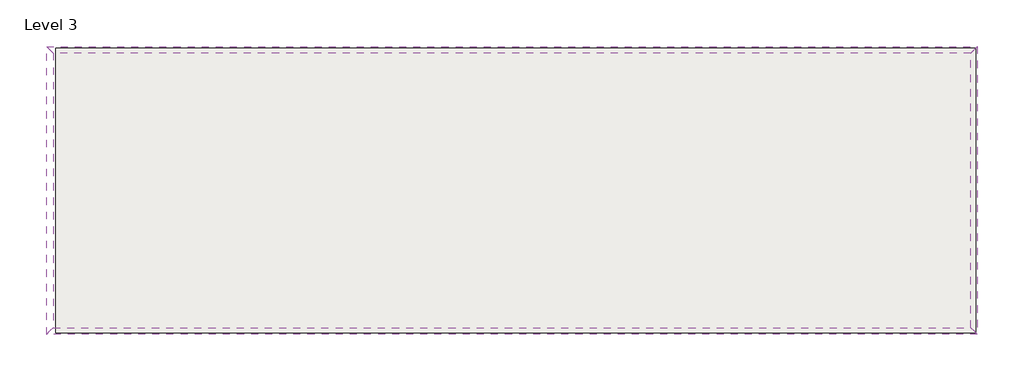
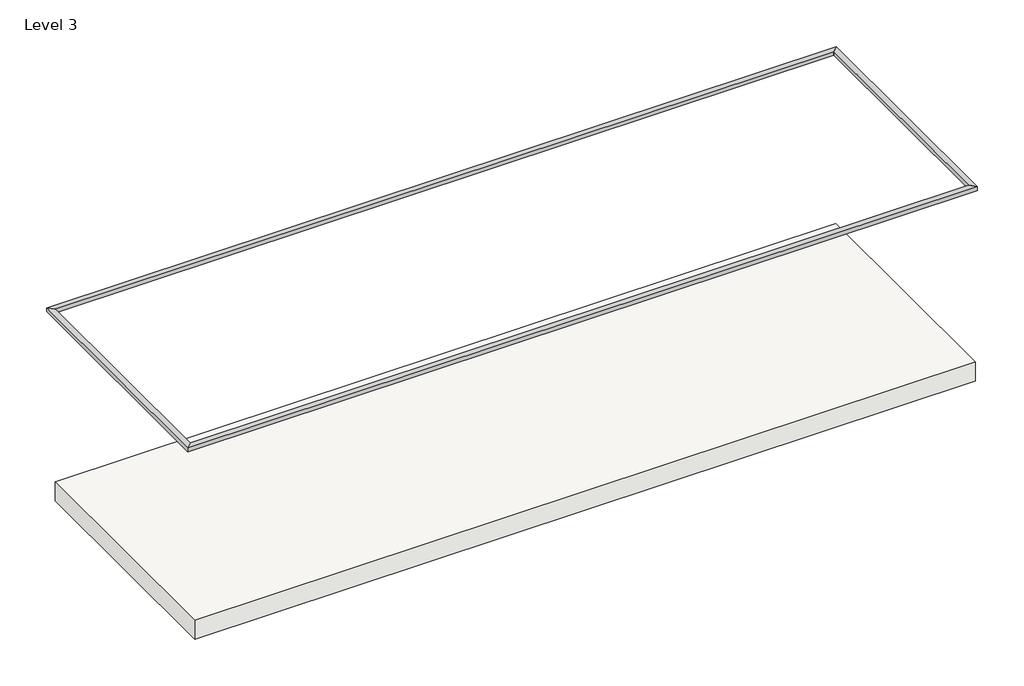
# One storey: 4 proxies, 1 slab.
"""IFC4 building model written with IfcOpenShell, lengths in millimetres."""

from ifc_helpers import new_model, si_unit, frame, origin, place, context, project, spatial, polyline, outline, extrude, element, save

model = new_model("IFC4")

# Units and contexts
model_context = context("Model", 3, world=origin())
ifc_project = project(units=[si_unit("LENGTHUNIT", "METRE", prefix="MILLI")], contexts=[model_context])

# Site, building, storey
site = spatial("IfcSite", under=ifc_project)
building = spatial("IfcBuilding", under=site)
storey = spatial("IfcBuildingStorey", under=building, Name="Level 3", Elevation=8000.0)

# Proxies
placement = place(None, origin())
element("IfcBuildingElementProxy", 1, Name="Reveals", at=placement, inside=storey, context=model_context, shape_type="SweptSolid", body=[
    extrude(outline(polyline([(-17186.690071, 12560.1187851), (-17289.190071, 12662.6187851), (-2805.190071, 12662.6187851), (-2907.690071, 12560.1187851), (-17186.690071, 12560.1187851)])), frame((0.0, 0.0, 11338.0), z_axis=(0.0, 0.0, 1.0), x_axis=(1.0, 0.0, 0.0)), (0.0, 0.0, 1.0), 75.0),
])
element("IfcBuildingElementProxy", 2, Name="Reveals", at=placement, inside=storey, context=model_context, shape_type="SweptSolid", body=[
    extrude(outline(polyline([(-2907.690071, 12560.1187851), (-2805.190071, 12662.6187851), (-2805.190071, 8178.6187851), (-2907.690071, 8281.1187851), (-2907.690071, 12560.1187851)])), frame((0.0, 0.0, 11338.0), z_axis=(0.0, 0.0, 1.0), x_axis=(1.0, 0.0, 0.0)), (0.0, 0.0, 1.0), 75.0),
])
element("IfcBuildingElementProxy", 3, Name="Reveals", at=placement, inside=storey, context=model_context, shape_type="SweptSolid", body=[
    extrude(outline(polyline([(-2907.690071, 8281.1187851), (-2805.190071, 8178.6187851), (-17289.190071, 8178.6187851), (-17186.690071, 8281.1187851), (-2907.690071, 8281.1187851)])), frame((0.0, 0.0, 11338.0), z_axis=(0.0, 0.0, 1.0), x_axis=(1.0, 0.0, 0.0)), (0.0, 0.0, 1.0), 75.0),
])
element("IfcBuildingElementProxy", 4, Name="Reveals", at=placement, inside=storey, context=model_context, shape_type="SweptSolid", body=[
    extrude(outline(polyline([(-17186.690071, 8281.1187851), (-17289.190071, 8178.6187851), (-17289.190071, 12662.6187851), (-17186.690071, 12560.1187851), (-17186.690071, 8281.1187851)])), frame((0.0, 0.0, 11338.0), z_axis=(0.0, 0.0, 1.0), x_axis=(1.0, 0.0, 0.0)), (0.0, 0.0, 1.0), 75.0),
])

# Slab
element("IfcSlab", 5, ObjectType="Concrete-Commercial 362mm", at=placement, inside=storey, context=model_context, shape_type="SweptSolid", body=[
    extrude(outline(polyline([(-2832.690071, 12635.1187851), (-2832.690071, 8206.1187851), (-17147.190071, 8206.1187851), (-17147.190071, 12635.1187851), (-2832.690071, 12635.1187851)])), frame((0.0, 0.0, 7638.0), z_axis=(0.0, 0.0, 1.0), x_axis=(1.0, 0.0, 0.0)), (0.0, 0.0, 1.0), 362.0),
])

save(model, "model.ifc")
